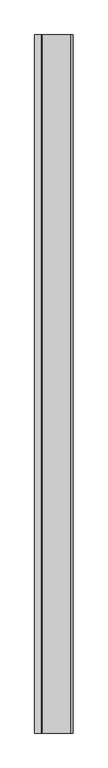
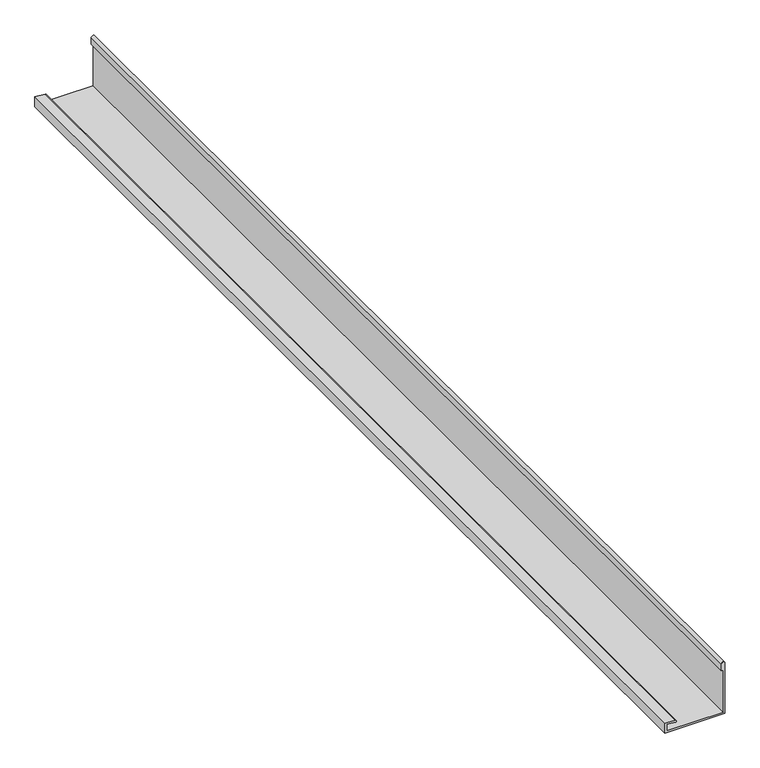
"""IFC4 building model written with IfcOpenShell, lengths in millimetres: proxy geometry."""

from ifc_helpers import new_model, si_unit, point, frame, frame_2d, origin, place, context, project, spatial, polyline, circle_curve, trimmed, segment, composite_curve, outline, extrude, source, transform, mapped, element, save


def generic_models_598183fb(model_context):
    return source(origin(), model_context, "Body", "SweptSolid", [
        extrude(outline(composite_curve([segment(polyline([(3799.2452806, -1368.2922626), (3799.2452806, -1198.2922626), (3949.6655464, -1198.2922626)]), True, "CONTINUOUS"), segment(trimmed(circle_curve(frame_2d((3949.6655464, -1203.2922626)), 5.0), [point((3949.6655464, -1198.2922626))], [point((3949.6655464, -1208.2922626))], False, "CARTESIAN"), True, "CONTINUOUS"), segment(polyline([(3949.6655464, -1208.2922626), (3929.6655464, -1208.2922626), (3929.6655464, -1203.2922626), (3804.2452806, -1203.2922626), (3804.2452806, -1363.2922626), (3823.7887381, -1363.2922626), (3821.6496348, -1338.8422004)]), True, "CONTINUOUS"), segment(trimmed(circle_curve(frame_2d((3824.1401216, -1338.624311)), 2.5), [point((3821.6496348, -1338.8422004))], [point((3826.6306083, -1338.4064217))], False, "CARTESIAN"), True, "CONTINUOUS"), segment(polyline([(3826.6306083, -1338.4064217), (3829.2452806, -1368.2922626), (3799.2452806, -1368.2922626)]), True, "CONTINUOUS")], self_intersect=False)), frame((0.0, -4556.1655637, 0.0), z_axis=(0.0, 1.0, 0.0), x_axis=(0.0, 0.0, 1.0)), (0.0, 0.0, 1.0), 3090.0),
    ])


if __name__ == "__main__":
    model = new_model("IFC4")
    model_context = context("Model", 3, world=origin())
    ifc_project = project(units=[si_unit("LENGTHUNIT", "METRE", prefix="MILLI")], contexts=[model_context])
    site = spatial("IfcSite", under=ifc_project)
    building = spatial("IfcBuilding", under=site)
    placement = place(None, origin())
    generic_models_shape = generic_models_598183fb(model_context)
    element("IfcBuildingElementProxy", 1, Name="Generic Models", at=placement, inside=building, context=model_context, shape_type="MappedRepresentation", body=[
        mapped(generic_models_shape, transform((0.0, 0.0, 0.0), x_axis=(1.0, 0.0, 0.0), y_axis=(0.0, 1.0, 0.0), z_axis=(0.0, 0.0, 1.0))),
    ])
    save(model, "model.ifc")
